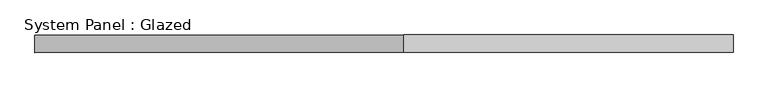
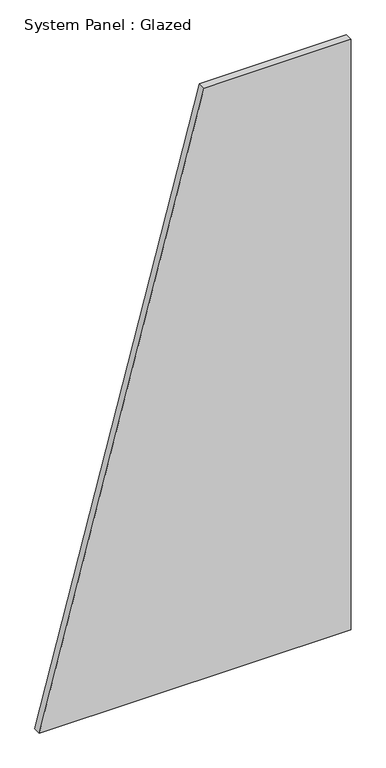
"""IFC4 building model written with IfcOpenShell, lengths in millimetres: plate geometry, System Panel : Glazed."""

import ifcopenshell
import ifcopenshell.guid

model = None  # the IFC model being written
_history = None  # IfcOwnerHistory: only IFC2X3 demands one
_inside = {}  # id of a spatial element -> (the spatial element, [elements in it])
_under = {}  # id of a project, library or spatial element -> (it, [spatial elements below it])
_declared = {}  # id of a project -> (the project, [libraries it declares])
_typed = {}  # id of a type object -> (the type object, [elements of that type])
_made_of = {}  # id of a material, layer set ... -> (it, [elements and type objects made of it])


def new_model(schema):
    """Start an empty IFC model of exactly this schema.

    Asked for "IFC4X3", IfcOpenShell would pick the latest addendum, in which some entities
    have other attributes; the version numbers below select the first issue.
    IFC2X3 requires an IfcOwnerHistory on every rooted entity: one is made here for all.
    """
    global model, _history
    if schema == "IFC4X3":
        model = ifcopenshell.file(schema_version=(4, 3, 0, 0))
    else:
        model = ifcopenshell.file(schema=schema)
    _inside.clear()
    _under.clear()
    _declared.clear()
    _typed.clear()
    _made_of.clear()
    _history = None
    if model.schema == "IFC2X3":
        org = make("IfcOrganization", Name="unknown")
        user = make(
            "IfcPersonAndOrganization",
            ThePerson=make("IfcPerson", FamilyName="unknown"),
            TheOrganization=org,
        )
        app = make(
            "IfcApplication",
            ApplicationDeveloper=org,
            Version="unknown",
            ApplicationFullName="unknown",
            ApplicationIdentifier="unknown",
        )
        _history = make(
            "IfcOwnerHistory",
            OwningUser=user,
            OwningApplication=app,
            ChangeAction="ADDED",
            CreationDate=0,
        )
    return model


def make(cls, **values):
    """One entity of the class cls with the attributes given. An attribute that is None is left unset."""
    return model.create_entity(
        cls, **{name: value for name, value in values.items() if value is not None}
    )


def rooted(cls, **values):
    """An entity with a GlobalId (a new one), such as an element, a storey or a relation."""
    return make(cls, GlobalId=ifcopenshell.guid.new(), OwnerHistory=_history, **values)


def si_unit(unit_type, name, prefix=None):
    """IfcSIUnit, for example si_unit("LENGTHUNIT", "METRE", prefix="MILLI")."""
    return make("IfcSIUnit", UnitType=unit_type, Prefix=prefix, Name=name)


def assignment(units):
    """IfcUnitAssignment: the units of a project."""
    return None if units is None else make("IfcUnitAssignment", Units=units)


def point(xyz):
    """IfcCartesianPoint."""
    return None if xyz is None else make("IfcCartesianPoint", Coordinates=xyz)


def direction(xyz):
    """IfcDirection."""
    return None if xyz is None else make("IfcDirection", DirectionRatios=xyz)


def frame(location, z_axis=None, x_axis=None):
    """IfcAxis2Placement3D, a coordinate frame: its origin and axes. An axis left out is left unset."""
    return make(
        "IfcAxis2Placement3D",
        Location=point(location),
        Axis=direction(z_axis),
        RefDirection=direction(x_axis),
    )


def origin():
    """The frame at (0, 0, 0) with its axes left unset."""
    return frame((0.0, 0.0, 0.0))


def place(relative_to, where):
    """IfcLocalPlacement: puts the frame where relative to a parent placement (None: the world)."""
    return make(
        "IfcLocalPlacement", PlacementRelTo=relative_to, RelativePlacement=where
    )


def context(
    kind, dimensions, precision=None, world=None, true_north=None, identifier=None
):
    """IfcGeometricRepresentationContext, for example the 3D "Model" context."""
    return make(
        "IfcGeometricRepresentationContext",
        ContextIdentifier=identifier,
        ContextType=kind,
        CoordinateSpaceDimension=dimensions,
        Precision=precision,
        WorldCoordinateSystem=world,
        TrueNorth=true_north,
    )


def project(units=None, contexts=None):
    """IfcProject with its units and contexts."""
    return rooted(
        "IfcProject",
        Name="project",
        RepresentationContexts=contexts,
        UnitsInContext=assignment(units),
    )


def spatial(cls, under=None, at=None, **own):
    """A site, building, storey or space (cls), placed at a placement, below another one or the project."""
    s = rooted(cls, ObjectPlacement=at, **own)
    if under is not None:
        _under.setdefault(under.id(), (under, []))[1].append(s)
    return s


def polyline(points):
    """IfcPolyline through the points."""
    return make("IfcPolyline", Points=[point(p) for p in points])


def outline(outer, holes=None, kind="AREA"):
    """IfcArbitraryClosedProfileDef: a profile drawn as a closed curve; with holes, ...WithVoids."""
    if holes is None:
        return make("IfcArbitraryClosedProfileDef", ProfileType=kind, OuterCurve=outer)
    return make(
        "IfcArbitraryProfileDefWithVoids",
        ProfileType=kind,
        OuterCurve=outer,
        InnerCurves=holes,
    )


def extrude(swept, where, along, depth):
    """IfcExtrudedAreaSolid: the profile swept, set in the frame where, extruded along a direction by depth."""
    return make(
        "IfcExtrudedAreaSolid",
        SweptArea=swept,
        Position=where,
        ExtrudedDirection=direction(along),
        Depth=depth,
    )


def shape(context_of_items, identifier, shape_type, items):
    """IfcShapeRepresentation: the items that make up one representation, for example the "Body"."""
    return make(
        "IfcShapeRepresentation",
        ContextOfItems=context_of_items,
        RepresentationIdentifier=identifier,
        RepresentationType=shape_type,
        Items=items,
    )


def source(mapping_origin, context_of_items, identifier, shape_type, items):
    """IfcRepresentationMap: a shape defined once, which mapped items show again and again."""
    return make(
        "IfcRepresentationMap",
        MappingOrigin=mapping_origin,
        MappedRepresentation=shape(context_of_items, identifier, shape_type, items),
    )


def transform(
    local_origin,
    x_axis=None,
    y_axis=None,
    z_axis=None,
    scale=None,
    scale2=None,
    scale3=None,
    uniform=True,
):
    """IfcCartesianTransformationOperator3D, or its non-uniform kind. x_axis, y_axis, z_axis: its Axis1, 2, 3."""
    if uniform:
        return make(
            "IfcCartesianTransformationOperator3D",
            Axis1=direction(x_axis),
            Axis2=direction(y_axis),
            LocalOrigin=point(local_origin),
            Scale=scale,
            Axis3=direction(z_axis),
        )
    return make(
        "IfcCartesianTransformationOperator3DnonUniform",
        Axis1=direction(x_axis),
        Axis2=direction(y_axis),
        LocalOrigin=point(local_origin),
        Scale=scale,
        Axis3=direction(z_axis),
        Scale2=scale2,
        Scale3=scale3,
    )


def mapped(mapping_source, mapping_target):
    """IfcMappedItem: shows the shape of a source again, moved by a transform."""
    return make(
        "IfcMappedItem", MappingSource=mapping_source, MappingTarget=mapping_target
    )


def made_of(thing, what):
    """Note that an element or type object is made of a material, layer set ...; save() writes the relation."""
    if what is not None:
        _made_of.setdefault(what.id(), (what, []))[1].append(thing)
    return thing


def element(
    cls,
    number,
    at=None,
    inside=None,
    cuts=None,
    type_object=None,
    material=None,
    context=None,
    identifier="Body",
    shape_type=None,
    held_by="IfcProductDefinitionShape",
    body=None,
    shapes=None,
    **own,
):
    """One element of the class cls, such as IfcWall. Its Tag is "e" and its number.

    at: its placement. inside: the storey or other place that contains it. cuts: it is an
    opening in that element (IfcRelVoidsElement). A single representation is given by context,
    identifier, shape_type and body (its items); several are given by shapes. held_by: the class
    of the entity that holds the representations. save() writes the other relations.
    """
    e = rooted(cls, Tag="e%d" % number, ObjectPlacement=at, **own)
    if body is not None:
        shapes = [shape(context, identifier, shape_type, body)]
    if shapes is not None:
        e.Representation = make(held_by, Representations=shapes)
    if inside is not None:
        _inside.setdefault(inside.id(), (inside, []))[1].append(e)
    if cuts is not None:
        rooted(
            "IfcRelVoidsElement", RelatingBuildingElement=cuts, RelatedOpeningElement=e
        )
    if type_object is not None:
        _typed.setdefault(type_object.id(), (type_object, []))[1].append(e)
    return made_of(e, material)


def aggregate(whole, parts):
    """IfcRelAggregates: a whole, such as a stair, and the parts it consists of."""
    return rooted("IfcRelAggregates", RelatingObject=whole, RelatedObjects=parts)


def save(model, path):
    """Write the relations noted so far, then the file.

    IfcRelAggregates (storeys below a building ...), IfcRelContainedInSpatialStructure (elements
    in a storey), IfcRelDefinesByType, IfcRelAssociatesMaterial and IfcRelDeclares: one each for
    every whole, place, type object, material and project.
    """
    for whole, parts in _under.values():
        aggregate(whole, parts)
    for where, things in _inside.values():
        rooted(
            "IfcRelContainedInSpatialStructure",
            RelatedElements=things,
            RelatingStructure=where,
        )
    for kind, things in _typed.values():
        rooted("IfcRelDefinesByType", RelatedObjects=things, RelatingType=kind)
    for what, things in _made_of.values():
        rooted("IfcRelAssociatesMaterial", RelatedObjects=things, RelatingMaterial=what)
    for by, libraries in _declared.values():
        rooted("IfcRelDeclares", RelatingContext=by, RelatedDefinitions=libraries)
    model.write(path)


def system_panel_glazed_fad90c15(model_context):
    return source(origin(), model_context, "Body", "SweptSolid", [
        extrude(outline(polyline([(0.0, -500.0000002), (0.0, 500.0000002), (2000.0, 500.0000002), (2000.0, 28.5714284), (0.0, -500.0000002)])), frame((0.0, 24.5, 0.0), z_axis=(0.0, 1.0, 0.0), x_axis=(0.0, 0.0, 1.0)), (0.0, 0.0, 1.0), 25.0),
    ])


if __name__ == "__main__":
    model = new_model("IFC4")
    model_context = context("Model", 3, world=origin())
    ifc_project = project(units=[si_unit("LENGTHUNIT", "METRE", prefix="MILLI")], contexts=[model_context])
    site = spatial("IfcSite", under=ifc_project)
    building = spatial("IfcBuilding", under=site)
    placement = place(None, origin())
    system_panel_glazed_shape = system_panel_glazed_fad90c15(model_context)
    element("IfcPlate", 1, ObjectType="System Panel : Glazed", at=placement, inside=building, context=model_context, shape_type="MappedRepresentation", body=[
        mapped(system_panel_glazed_shape, transform((0.0, 0.0, 0.0), x_axis=(1.0, 0.0, 0.0), y_axis=(0.0, 1.0, 0.0), z_axis=(0.0, 0.0, 1.0))),
    ])
    save(model, "model.ifc")
